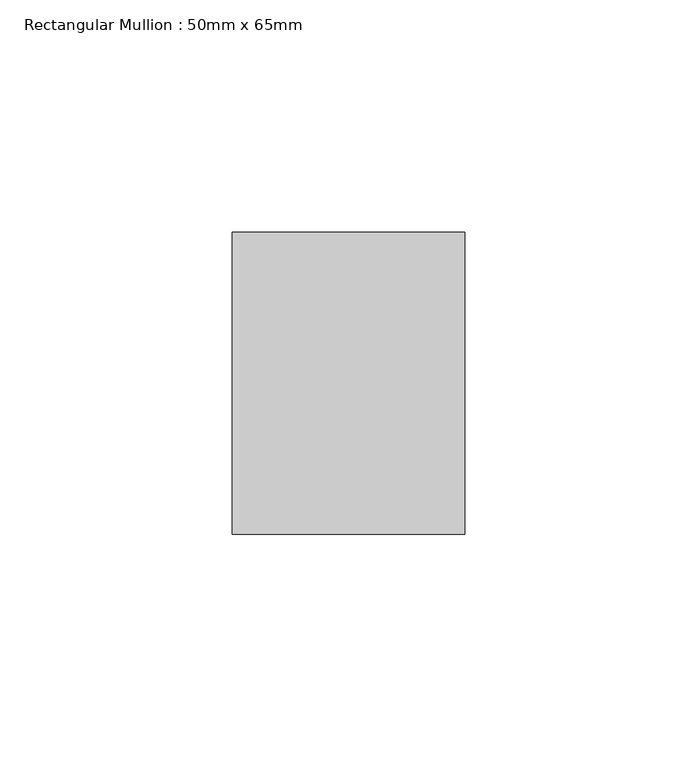
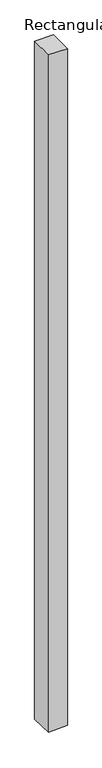
"""IFC4 building model written with IfcOpenShell, lengths in millimetres: member geometry, Rectangular Mullion : 50mm x 65mm."""

from ifc_helpers import new_model, si_unit, origin, place, context, project, spatial, faceted_brep, source, transform, mapped, element, save


def rectangular_mullion_50mm_x_65mm_d355982b(model_context):
    return source(origin(), model_context, "Body", "Brep", [
        faceted_brep([(25.0, 32.5, 0.0), (-25.0, 32.5, 0.0), (-25.0, -32.5, 0.0), (25.0, -32.5, 0.0), (25.0, 32.5, -1922.5913829), (-25.0, 32.5, -1924.8442046), (-25.0, -32.5, -1922.8101758), (25.0, -32.5, -1920.5573542)], [[[0, 1, 2, 3]], [[1, 0, 4, 5]], [[2, 1, 5, 6]], [[3, 2, 6, 7]], [[0, 3, 7, 4]], [[4, 7, 6, 5]]]),
    ])


if __name__ == "__main__":
    model = new_model("IFC4")
    model_context = context("Model", 3, world=origin())
    ifc_project = project(units=[si_unit("LENGTHUNIT", "METRE", prefix="MILLI")], contexts=[model_context])
    site = spatial("IfcSite", under=ifc_project)
    building = spatial("IfcBuilding", under=site)
    placement = place(None, origin())
    rectangular_mullion_50mm_x_65mm_shape = rectangular_mullion_50mm_x_65mm_d355982b(model_context)
    element("IfcMember", 1, ObjectType="Rectangular Mullion : 50mm x 65mm", at=placement, inside=building, context=model_context, shape_type="MappedRepresentation", body=[
        mapped(rectangular_mullion_50mm_x_65mm_shape, transform((0.0, 0.0, 0.0), x_axis=(1.0, 0.0, 0.0), y_axis=(0.0, 1.0, 0.0), z_axis=(0.0, 0.0, 1.0))),
    ])
    save(model, "model.ifc")
